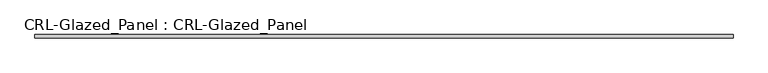
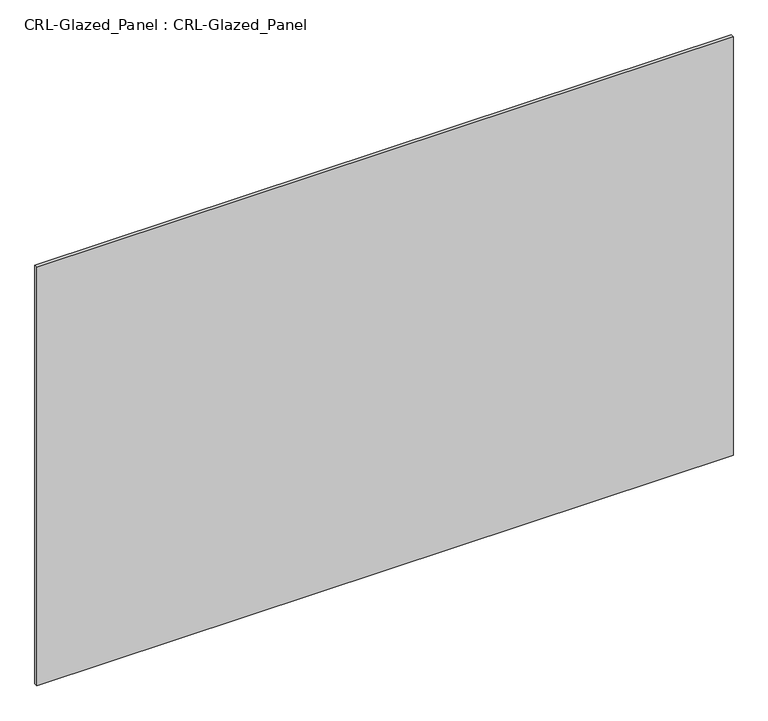
"""IFC4 building model written with IfcOpenShell, lengths in millimetres: plate geometry, CRL-Glazed_Panel : CRL-Glazed_Panel."""

from ifc_helpers import new_model, si_unit, origin, origin_with_axes, place, context, project, spatial, polyline, outline, extrude, source, transform, mapped, element, save


def crl_glazed_panel_crl_glazed_panel_dcc8066e(model_context):
    return source(origin(), model_context, "Body", "SweptSolid", [
        extrude(outline(polyline([(624.9458262, 3.1749999), (624.9458262, -3.1749999), (-624.9458262, -3.1749999), (-624.9458262, 3.1749999), (624.9458262, 3.1749999)])), origin_with_axes(), (0.0, 0.0, 1.0), 793.7627695),
    ])


if __name__ == "__main__":
    model = new_model("IFC4")
    model_context = context("Model", 3, world=origin())
    ifc_project = project(units=[si_unit("LENGTHUNIT", "METRE", prefix="MILLI")], contexts=[model_context])
    site = spatial("IfcSite", under=ifc_project)
    building = spatial("IfcBuilding", under=site)
    placement = place(None, origin())
    crl_glazed_panel_crl_glazed_panel_shape = crl_glazed_panel_crl_glazed_panel_dcc8066e(model_context)
    element("IfcPlate", 1, ObjectType="CRL-Glazed_Panel : CRL-Glazed_Panel", at=placement, inside=building, context=model_context, shape_type="MappedRepresentation", body=[
        mapped(crl_glazed_panel_crl_glazed_panel_shape, transform((0.0, 0.0, 0.0), x_axis=(1.0, 0.0, 0.0), y_axis=(0.0, 1.0, 0.0), z_axis=(0.0, 0.0, 1.0))),
    ])
    save(model, "model.ifc")
